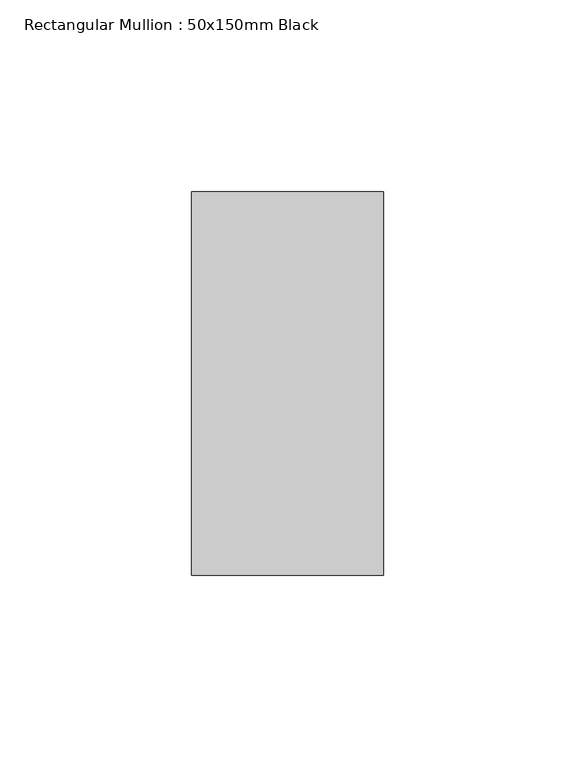
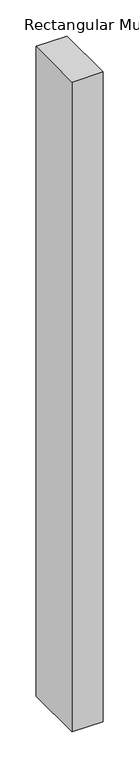
"""IFC4 building model written with IfcOpenShell, lengths in millimetres: member geometry, Rectangular Mullion : 50x150mm Black."""

from ifc_helpers import new_model, si_unit, frame, origin, place, context, project, spatial, polyline, outline, extrude, source, transform, mapped, element, save


def rectangular_mullion_50x150mm_black_f5bc816a(model_context):
    return source(origin(), model_context, "Body", "SweptSolid", [
        extrude(outline(polyline([(25.0, 50.0), (25.0, -50.0), (-25.0, -50.0), (-25.0, 50.0), (25.0, 50.0)])), frame((0.0, 0.0, -1100.0), z_axis=(0.0, 0.0, 1.0), x_axis=(1.0, 0.0, 0.0)), (0.0, 0.0, 1.0), 1100.0),
    ])


if __name__ == "__main__":
    model = new_model("IFC4")
    model_context = context("Model", 3, world=origin())
    ifc_project = project(units=[si_unit("LENGTHUNIT", "METRE", prefix="MILLI")], contexts=[model_context])
    site = spatial("IfcSite", under=ifc_project)
    building = spatial("IfcBuilding", under=site)
    placement = place(None, origin())
    rectangular_mullion_50x150mm_black_shape = rectangular_mullion_50x150mm_black_f5bc816a(model_context)
    element("IfcMember", 1, ObjectType="Rectangular Mullion : 50x150mm Black", at=placement, inside=building, context=model_context, shape_type="MappedRepresentation", body=[
        mapped(rectangular_mullion_50x150mm_black_shape, transform((0.0, 0.0, 0.0), x_axis=(1.0, 0.0, 0.0), y_axis=(0.0, 1.0, 0.0), z_axis=(0.0, 0.0, 1.0))),
    ])
    save(model, "model.ifc")
